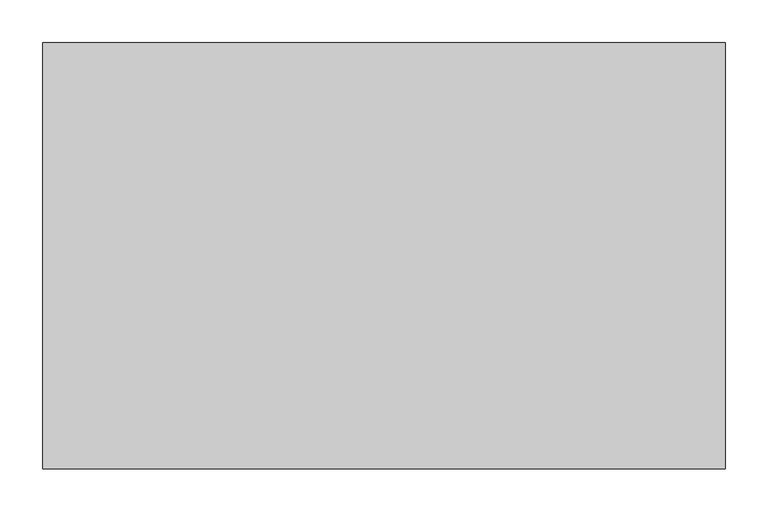
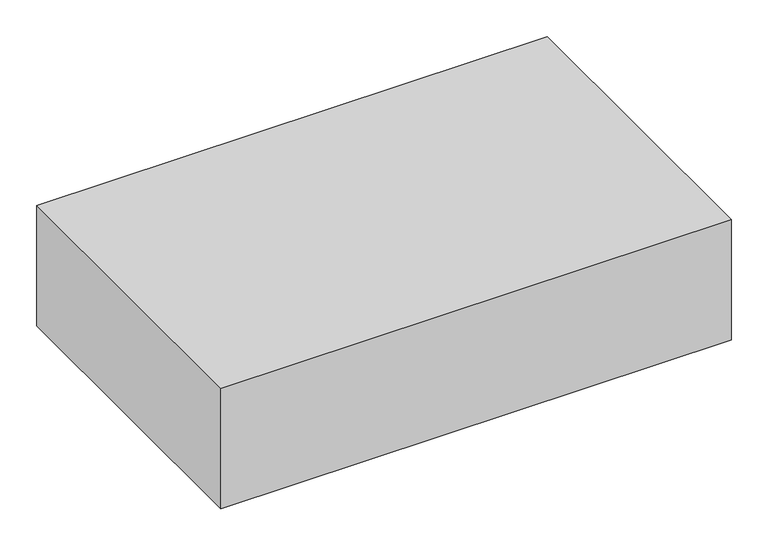
"""IFC4 building model written with IfcOpenShell, lengths in millimetres: proxy geometry."""

from ifc_helpers import new_model, si_unit, frame, origin, place, context, project, spatial, polyline, outline, extrude, source, transform, mapped, element, save


def generic_models_154ab111(model_context):
    return source(origin(), model_context, "Body", "SweptSolid", [
        extrude(outline(polyline([(800.0, 500.0), (800.0, 0.0), (0.0, 0.0), (0.0, 500.0), (800.0, 500.0)])), frame((0.0, 0.0, 1000.0), z_axis=(0.0, 0.0, 1.0), x_axis=(1.0, 0.0, 0.0)), (0.0, 0.0, 1.0), 200.0),
    ])


if __name__ == "__main__":
    model = new_model("IFC4")
    model_context = context("Model", 3, world=origin())
    ifc_project = project(units=[si_unit("LENGTHUNIT", "METRE", prefix="MILLI")], contexts=[model_context])
    site = spatial("IfcSite", under=ifc_project)
    building = spatial("IfcBuilding", under=site)
    placement = place(None, origin())
    generic_models_shape = generic_models_154ab111(model_context)
    element("IfcBuildingElementProxy", 1, Name="Generic Models", at=placement, inside=building, context=model_context, shape_type="MappedRepresentation", body=[
        mapped(generic_models_shape, transform((0.0, 0.0, 0.0), x_axis=(1.0, 0.0, 0.0), y_axis=(0.0, 1.0, 0.0), z_axis=(0.0, 0.0, 1.0))),
    ])
    save(model, "model.ifc")
